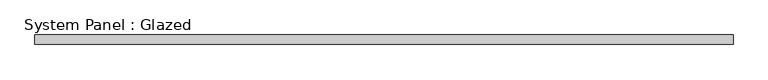
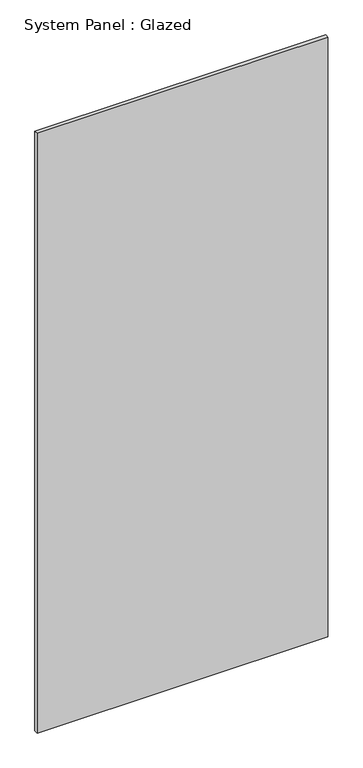
"""IFC4 building model written with IfcOpenShell, lengths in millimetres: plate geometry, System Panel : Glazed."""

from ifc_helpers import new_model, si_unit, origin, origin_with_axes, place, context, project, spatial, polyline, outline, extrude, source, transform, mapped, element, save


def system_panel_glazed_0d93dd52(model_context):
    return source(origin(), model_context, "Body", "SweptSolid", [
        extrude(outline(polyline([(916.818058, -49.5), (-916.818058, -49.5), (-916.818058, -24.5), (916.818058, -24.5), (916.818058, -49.5)])), origin_with_axes(), (0.0, 0.0, 1.0), 4000.0),
    ])


if __name__ == "__main__":
    model = new_model("IFC4")
    model_context = context("Model", 3, world=origin())
    ifc_project = project(units=[si_unit("LENGTHUNIT", "METRE", prefix="MILLI")], contexts=[model_context])
    site = spatial("IfcSite", under=ifc_project)
    building = spatial("IfcBuilding", under=site)
    placement = place(None, origin())
    system_panel_glazed_shape = system_panel_glazed_0d93dd52(model_context)
    element("IfcPlate", 1, ObjectType="System Panel : Glazed", at=placement, inside=building, context=model_context, shape_type="MappedRepresentation", body=[
        mapped(system_panel_glazed_shape, transform((0.0, 0.0, 0.0), x_axis=(1.0, 0.0, 0.0), y_axis=(0.0, 1.0, 0.0), z_axis=(0.0, 0.0, 1.0))),
    ])
    save(model, "model.ifc")
